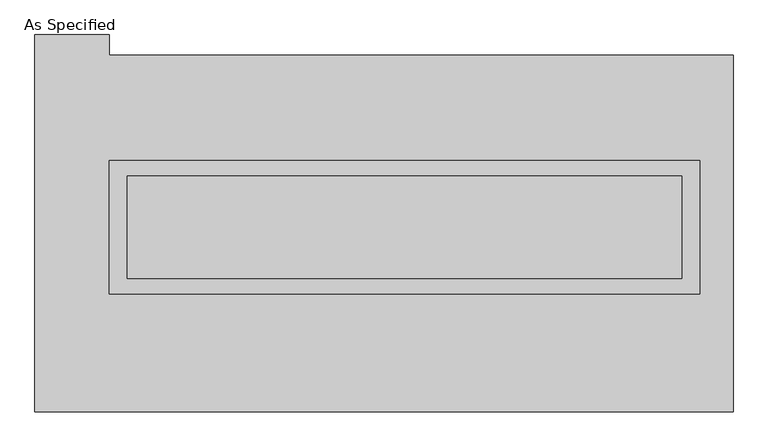
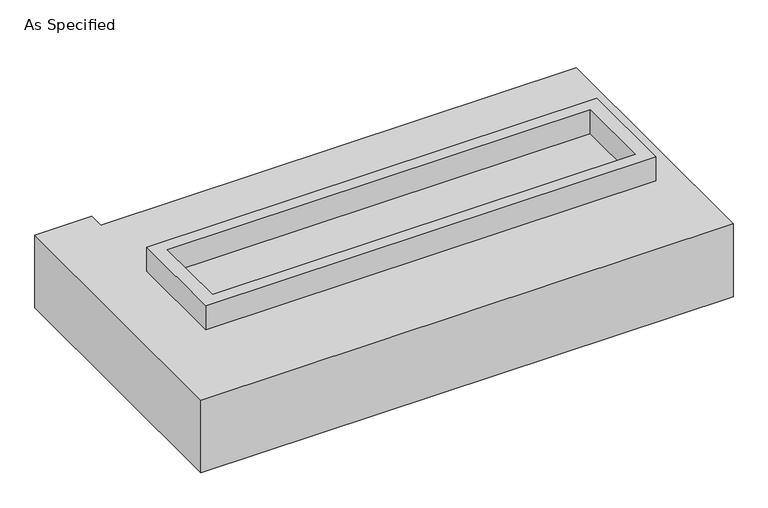
"""IFC4 building model written with IfcOpenShell, lengths in millimetres: proxy geometry, As Specified."""

from ifc_helpers import new_model, si_unit, frame, origin, place, context, project, spatial, polyline, outline, extrude, faceted_brep, source, transform, mapped, element, save


def as_specified_62fdd8d1(model_context):
    return source(origin(), model_context, "Body", "SolidModel", [
        extrude(outline(polyline([(1460.5, 361.95), (1460.5, -298.45), (-1460.5, -298.45), (-1460.5, 361.95), (1460.5, 361.95)]), holes=[polyline([(1371.6, 285.75), (-1371.6, 285.75), (-1371.6, -222.25), (1371.6, -222.25), (1371.6, 285.75)])]), frame((0.0, 0.0, -25.4), z_axis=(0.0, 0.0, 1.0), x_axis=(1.0, 0.0, 0.0)), (0.0, 0.0, 1.0), 165.1),
        extrude(outline(polyline([(1371.6, 285.75), (1371.6, -222.25), (-1371.6, -222.25), (-1371.6, 285.75), (1371.6, 285.75)])), frame((0.0, 0.0, -30.3609375), z_axis=(0.0, 0.0, 1.0), x_axis=(1.0, 0.0, 0.0)), (0.0, 0.0, 1.0), 4.9609375),
        faceted_brep([(1625.6, -882.65, -523.875), (-1828.8, -882.65, -523.875), (-1828.8, 984.25, -523.875), (-1460.5, 984.25, -523.875), (-1460.5, 882.65, -523.875), (1625.6, 882.65, -523.875), (-1828.8, -882.65, -25.4), (1625.6, -882.65, -25.4), (1625.6, 882.65, -25.4), (-1460.5, 882.65, -25.4), (-1460.5, 984.25, -25.4), (-1828.8, 984.25, -25.4), (-1460.5, -298.45, -25.4), (-1460.5, 361.95, -25.4), (1460.5, 361.95, -25.4), (1460.5, -298.45, -25.4), (1460.5, 361.95, -498.475), (-1460.5, 361.95, -498.475), (-1460.5, -298.45, -498.475), (1460.5, -298.45, -498.475)], [[[0, 1, 2, 3, 4, 5]], [[6, 7, 8, 9, 10, 11], [12, 13, 14, 15]], [[8, 5, 4, 9]], [[2, 1, 6, 11]], [[5, 8, 7, 0]], [[16, 17, 18, 19]], [[18, 17, 13, 12]], [[17, 16, 14, 13]], [[16, 19, 15, 14]], [[12, 15, 19, 18]], [[1, 0, 7, 6]], [[4, 3, 10, 9]], [[3, 2, 11, 10]]]),
    ])


if __name__ == "__main__":
    model = new_model("IFC4")
    model_context = context("Model", 3, world=origin())
    ifc_project = project(units=[si_unit("LENGTHUNIT", "METRE", prefix="MILLI")], contexts=[model_context])
    site = spatial("IfcSite", under=ifc_project)
    building = spatial("IfcBuilding", under=site)
    placement = place(None, origin())
    as_specified_shape = as_specified_62fdd8d1(model_context)
    element("IfcBuildingElementProxy", 1, Name="As Specified", ObjectType="As Specified", at=placement, inside=building, context=model_context, shape_type="MappedRepresentation", body=[
        mapped(as_specified_shape, transform((0.0, 0.0, 0.0), x_axis=(1.0, 0.0, 0.0), y_axis=(0.0, 1.0, 0.0), z_axis=(0.0, 0.0, 1.0))),
    ])
    save(model, "model.ifc")
